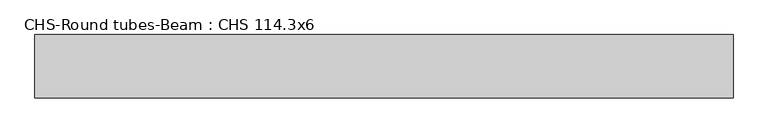
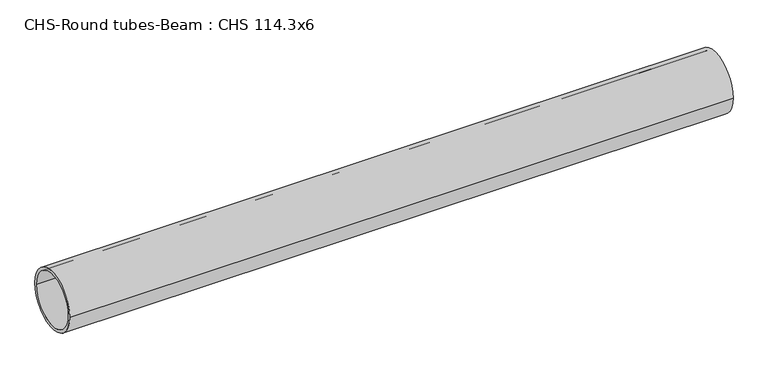
"""IFC4 building model written with IfcOpenShell, lengths in millimetres: beam geometry, CHS-Round tubes-Beam : CHS 114.3x6."""

from ifc_helpers import new_model, si_unit, point, frame, origin, origin_2d, place, context, project, spatial, circle_curve, trimmed, segment, composite_curve, outline, extrude, source, transform, mapped, element, save


def chs_round_tubes_beam_chs_114_3x6_c0821dfb(model_context):
    return source(origin(), model_context, "Body", "SweptSolid", [
        extrude(outline(composite_curve([segment(trimmed(circle_curve(origin_2d(), 57.15), [point((57.15, 0.0))], [point((-57.15, 0.0))], False, "CARTESIAN"), True, "CONTINUOUS"), segment(trimmed(circle_curve(origin_2d(), 57.15), [point((-57.15, 0.0))], [point((57.15, 0.0))], False, "CARTESIAN"), True, "CONTINUOUS")], self_intersect=False), holes=[composite_curve([segment(trimmed(circle_curve(origin_2d(), 51.15), [point((51.15, 0.0))], [point((-51.15, 0.0))], True, "CARTESIAN"), True, "CONTINUOUS"), segment(trimmed(circle_curve(origin_2d(), 51.15), [point((-51.15, 0.0))], [point((51.15, 0.0))], True, "CARTESIAN"), True, "CONTINUOUS")], self_intersect=False)]), frame((-627.9729318, 0.0, 0.0), z_axis=(1.0, 0.0, 0.0), x_axis=(0.0, 1.0, 0.0)), (0.0, 0.0, 1.0), 1255.946067),
    ])


if __name__ == "__main__":
    model = new_model("IFC4")
    model_context = context("Model", 3, world=origin())
    ifc_project = project(units=[si_unit("LENGTHUNIT", "METRE", prefix="MILLI")], contexts=[model_context])
    site = spatial("IfcSite", under=ifc_project)
    building = spatial("IfcBuilding", under=site)
    placement = place(None, origin())
    chs_round_tubes_beam_chs_114_3x6_shape = chs_round_tubes_beam_chs_114_3x6_c0821dfb(model_context)
    element("IfcBeam", 1, ObjectType="CHS-Round tubes-Beam : CHS 114.3x6", at=placement, inside=building, context=model_context, shape_type="MappedRepresentation", body=[
        mapped(chs_round_tubes_beam_chs_114_3x6_shape, transform((0.0, 0.0, 0.0), x_axis=(1.0, 0.0, 0.0), y_axis=(0.0, 1.0, 0.0), z_axis=(0.0, 0.0, 1.0))),
    ])
    save(model, "model.ifc")
